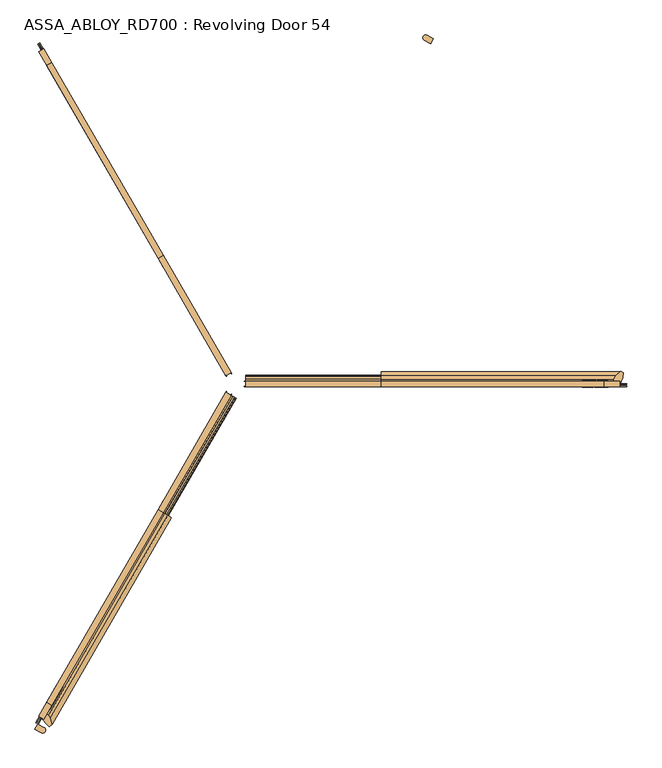
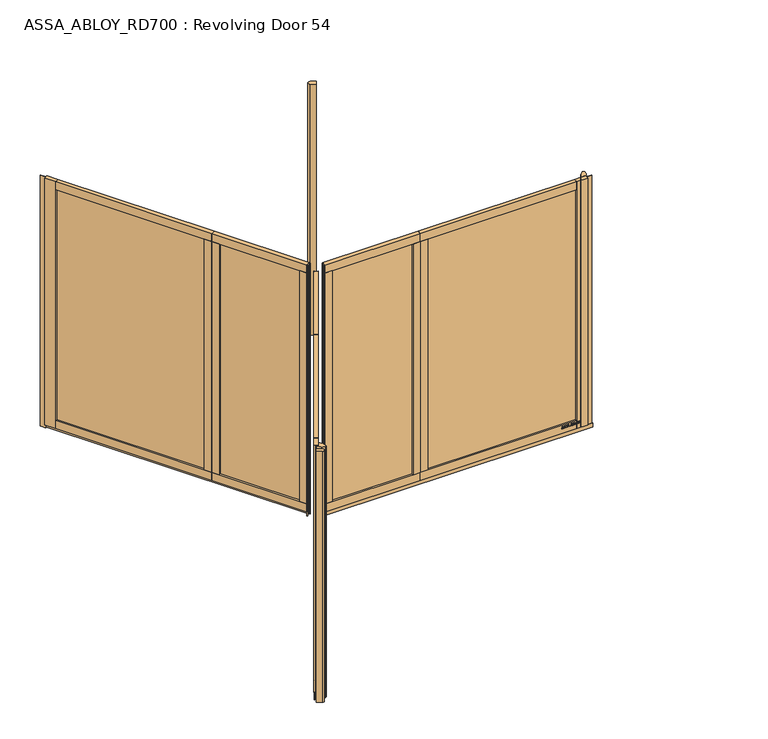
"""IFC4 building model written with IfcOpenShell, lengths in millimetres: door geometry, ASSA_ABLOY_RD700 : Revolving Door 54."""

from ifc_helpers import new_model, si_unit, point, frame, frame_2d, origin, origin_with_axes, origin_2d, place, context, project, spatial, polyline, circle_curve, trimmed, segment, composite_curve, outline, extrude, source, transform, mapped, element, save


def assa_abloy_rd700_revolving_door_54_21e931f8(model_context):
    return source(origin(), model_context, "Body", "SweptSolid", [
        extrude(outline(composite_curve([segment(trimmed(circle_curve(origin_2d(), 2700.0), [point((-1350.0, -2338.2685902))], [point((-1306.4672285, -2362.8676182))], True, "CARTESIAN"), True, "CONTINUOUS"), segment(trimmed(circle_curve(frame_2d((-1316.7850923, -2380.0085105)), 20.0067115), [point((-1306.4672285, -2362.8676182))], [point((-1326.4706086, -2397.5144889))], False, "CARTESIAN"), True, "CONTINUOUS"), segment(trimmed(circle_curve(origin_2d(), 2740.0), [point((-1326.4706086, -2397.5144889))], [point((-1370.0, -2372.9096064))], False, "CARTESIAN"), True, "CONTINUOUS"), segment(polyline([(-1370.0, -2372.9096064), (-1350.0, -2338.2685902)]), True, "CONTINUOUS")], self_intersect=False)), origin_with_axes(), (0.0, 0.0, 1.0), 2600.0),
        extrude(outline(composite_curve([segment(trimmed(circle_curve(origin_2d(), 2700.0), [point((1350.0, 2338.2685902))], [point((1306.4672285, 2362.8676182))], True, "CARTESIAN"), True, "CONTINUOUS"), segment(trimmed(circle_curve(frame_2d((1316.7850923, 2380.0085105)), 20.0067115), [point((1306.4672285, 2362.8676182))], [point((1326.4706086, 2397.5144889))], False, "CARTESIAN"), True, "CONTINUOUS"), segment(trimmed(circle_curve(origin_2d(), 2740.0), [point((1326.4706086, 2397.5144889))], [point((1370.0, 2372.9096064))], False, "CARTESIAN"), True, "CONTINUOUS"), segment(polyline([(1370.0, 2372.9096064), (1350.0, 2338.2685902)]), True, "CONTINUOUS")], self_intersect=False)), origin_with_axes(), (0.0, 0.0, 1.0), 2600.0),
        extrude(outline(polyline([(-470.5155414, -811.4568305), (-50.5155414, -83.9954913), (-47.4844586, -85.7454878), (-467.4844586, -813.206827), (-470.5155414, -811.4568305)])), frame((0.0, 0.0, 124.0), z_axis=(0.0, 0.0, 1.0), x_axis=(1.0, 0.0, 0.0)), (0.0, 0.0, 1.0), 2394.0),
        extrude(outline(polyline([(-1271.5155414, -2198.8295274), (-543.5155414, -937.8965395), (-540.4844586, -939.646536), (-1268.4844586, -2200.5795239), (-1271.5155414, -2198.8295274)])), frame((0.0, 0.0, 124.0), z_axis=(0.0, 0.0, 1.0), x_axis=(1.0, 0.0, 0.0)), (0.0, 0.0, 1.0), 2394.0),
        extrude(outline(polyline([(-1252.6794919, -2209.7045256), (-1287.3205081, -2189.7045256), (-522.8205081, -865.5516832), (-488.1794919, -885.5516832), (-1252.6794919, -2209.7045256)])), frame((0.0, 0.0, 42.0), z_axis=(0.0, 0.0, 1.0), x_axis=(1.0, 0.0, 0.0)), (0.0, 0.0, 1.0), 82.0),
        extrude(outline(polyline([(-522.8205081, -865.5516832), (-488.1794919, -885.5516832), (-1252.6794919, -2209.7045256), (-1287.3205081, -2189.7045256), (-522.8205081, -865.5516832)])), frame((0.0, 0.0, 2518.0), z_axis=(0.0, 0.0, 1.0), x_axis=(1.0, 0.0, 0.0)), (0.0, 0.0, 1.0), 82.0),
        extrude(outline(polyline([(-488.1794919, -885.5516832), (-522.8205081, -865.5516832), (-486.3205081, -802.3318287), (-451.6794919, -822.3318287), (-488.1794919, -885.5516832)])), frame((0.0, 0.0, 124.0), z_axis=(0.0, 0.0, 1.0), x_axis=(1.0, 0.0, 0.0)), (0.0, 0.0, 1.0), 2394.0),
        extrude(outline(polyline([(-524.6794919, -948.7715377), (-559.3205081, -928.7715377), (-522.8205081, -865.5516832), (-488.1794919, -885.5516832), (-524.6794919, -948.7715377)])), frame((0.0, 0.0, 124.0), z_axis=(0.0, 0.0, 1.0), x_axis=(1.0, 0.0, 0.0)), (0.0, 0.0, 1.0), 2394.0),
        extrude(outline(polyline([(-24.2775681, -76.0499815), (-20.7775681, -69.9878037), (-18.1794919, -71.4878037), (-21.6794919, -77.5499815), (-24.2775681, -76.0499815)])), origin_with_axes(), (0.0, 0.0, 1.0), 2600.0),
        extrude(outline(polyline([(-56.6794919, -138.1717598), (-91.3205081, -118.1717598), (-56.3205081, -57.5499815), (-21.6794919, -77.5499815), (-56.6794919, -138.1717598)])), frame((0.0, 0.0, 124.0), z_axis=(0.0, 0.0, 1.0), x_axis=(1.0, 0.0, 0.0)), (0.0, 0.0, 1.0), 2394.0),
        extrude(outline(polyline([(-56.3205081, -57.5499815), (-21.6794919, -77.5499815), (-488.1794919, -885.5516832), (-522.8205081, -865.5516832), (-56.3205081, -57.5499815)])), frame((0.0, 0.0, 2518.0), z_axis=(0.0, 0.0, 1.0), x_axis=(1.0, 0.0, 0.0)), (0.0, 0.0, 1.0), 82.0),
        extrude(outline(polyline([(-1287.3205081, -2189.7045256), (-1252.6794919, -2209.7045256), (-1307.6794919, -2304.96732), (-1342.3205081, -2284.96732), (-1287.3205081, -2189.7045256)])), frame((0.0, 0.0, 42.0), z_axis=(0.0, 0.0, 1.0), x_axis=(1.0, 0.0, 0.0)), (0.0, 0.0, 1.0), 2558.0),
        extrude(outline(polyline([(-1351.5155414, -2337.393592), (-1326.5155414, -2294.0923218), (-1323.4844586, -2295.8423183), (-1348.4844586, -2339.1435885), (-1351.5155414, -2337.393592)])), origin_with_axes(), (0.0, 0.0, 1.0), 2600.0),
        extrude(outline(polyline([(-488.1794919, -885.5516832), (-522.8205081, -865.5516832), (-56.3205081, -57.5499815), (-21.6794919, -77.5499815), (-488.1794919, -885.5516832)])), frame((0.0, 0.0, 42.0), z_axis=(0.0, 0.0, 1.0), x_axis=(1.0, 0.0, 0.0)), (0.0, 0.0, 1.0), 82.0),
        extrude(outline(polyline([(-50.2224319, -52.9878037), (-53.7224319, -59.0499815), (-56.3205081, -57.5499815), (-52.8205081, -51.4878037), (-50.2224319, -52.9878037)])), origin_with_axes(), (0.0, 0.0, 1.0), 2600.0),
        extrude(outline(polyline([(-1364.7224319, -2329.7685902), (-53.7224319, -59.0499815), (-49.5655099, -61.4499815), (-1360.5655099, -2332.1685902), (-1364.7224319, -2329.7685902)])), origin_with_axes(), (0.0, 0.0, 1.0), 42.0),
        extrude(outline(polyline([(-21.1919363, 1e-07), (0.0, 0.0), (1.2354289, -3.3526833), (-14.8894584, -17.1035441), (-15.8652682, -14.4554101), (-11.2716326, -10.6269535), (-14.2348715, -2.5853724), (-20.214336, -2.6529929), (-21.1919363, 1e-07)]), holes=[polyline([(-11.7626281, -2.5849674), (-9.3848751, -9.0376681), (-1.6611384, -2.5160752), (-11.7626281, -2.5849674)])]), frame((-1260.3315201, -2226.9582273, 111.8848654), z_axis=(-0.8660254037844339, 0.5000000000000084, 0.0), x_axis=(-0.17288098849125705, -0.2994386557295809, 0.9383222555567716)), (0.0, 0.0, 1.0), 2.0),
        extrude(outline(polyline([(-3.5121291, 0.0), (0.0, 0.0), (2.8187321, -2.6852579), (4.250422, -5.1162245), (5.5118808, -7.3434952), (7.3063201, -9.1972246), (9.3614355, -9.1814983), (11.0208469, -7.1616301), (10.6514742, -3.4882218), (8.71119, 0.0484617), (6.0403681, 2.6484111), (9.0699595, 3.711135), (11.0920114, 1.0208016), (12.7977466, -2.5981572), (13.1300796, -8.3561656), (9.9996043, -11.7673439), (6.2388815, -11.6844271), (3.0893834, -8.4786223), (1.8238571, -6.2006452), (0.6628891, -4.2207408), (-0.9295188, -2.6144294), (-2.9863484, -2.6252693), (-4.8029446, -4.7524081), (-4.3562346, -8.76362), (-2.4447822, -12.1320668), (0.6567353, -15.0446472), (-2.5145629, -16.1570791), (-4.8247981, -13.2083906), (-6.5093631, -9.6341389), (-7.2092232, -6.1919012), (-6.787432, -3.3659463), (-5.4926863, -1.2764387), (-3.5121291, 0.0)])), frame((-1248.4666248, -2206.4076258, 100.999973), z_axis=(-0.8660254037844338, 0.5000000000000083, 0.0), x_axis=(-0.1655035508100891, -0.2866605588361252, 0.9436282629706535)), (0.0, 0.0, 1.0), 2.0),
        extrude(outline(polyline([(-3.5121291, 0.0), (0.0, 0.0), (2.8187321, -2.6852579), (4.250422, -5.1162245), (5.5118808, -7.3434952), (7.3063201, -9.1972246), (9.3614355, -9.1814983), (11.0208469, -7.1616301), (10.6514742, -3.4882218), (8.71119, 0.0484617), (6.0403681, 2.6484111), (9.0699595, 3.711135), (11.0920114, 1.0208016), (12.7977466, -2.5981572), (13.1300796, -8.3561656), (9.9996043, -11.7673439), (6.2388815, -11.6844271), (3.0893834, -8.4786223), (1.8238571, -6.2006452), (0.6628891, -4.2207408), (-0.9295188, -2.6144294), (-2.9863484, -2.6252693), (-4.8029446, -4.7524081), (-4.3562346, -8.76362), (-2.4447822, -12.1320668), (0.6567353, -15.0446472), (-2.5145629, -16.1570791), (-4.8247981, -13.2083906), (-6.5093631, -9.6341389), (-7.2092232, -6.1919012), (-6.787432, -3.3659463), (-5.4926863, -1.2764387), (-3.5121291, 0.0)])), frame((-1239.0213137, -2190.0478671, 100.999973), z_axis=(-0.8660254037844338, 0.5000000000000083, 0.0), x_axis=(-0.1655035508100891, -0.2866605588361252, 0.9436282629706535)), (0.0, 0.0, 1.0), 2.0),
        extrude(outline(polyline([(-21.1919363, 1e-07), (0.0, 0.0), (1.2354289, -3.3526833), (-14.8894584, -17.103544), (-15.8652682, -14.4554101), (-11.2716326, -10.6269535), (-14.2348715, -2.5853723), (-20.214336, -2.6529928), (-21.1919363, 1e-07)]), holes=[polyline([(-11.7626281, -2.5849674), (-9.3848751, -9.0376681), (-1.6611384, -2.5160752), (-11.7626281, -2.5849674)])]), frame((-1231.9955869, -2177.8789512, 111.8848654), z_axis=(-0.8660254037844339, 0.5000000000000084, 0.0), x_axis=(-0.17288098849125705, -0.2994386557295809, 0.9383222555567716)), (0.0, 0.0, 1.0), 2.0),
        extrude(outline(polyline([(-21.1919363, 1e-07), (0.0, 0.0), (1.2354289, -3.3526833), (-14.8894584, -17.1035441), (-15.8652682, -14.4554101), (-11.2716326, -10.6269535), (-14.2348715, -2.5853724), (-20.214336, -2.6529929), (-21.1919363, 1e-07)]), holes=[polyline([(-11.7626281, -2.5849674), (-9.3848751, -9.0376681), (-1.6611384, -2.5160752), (-11.7626281, -2.5849674)])]), frame((-1217.7447666, -2153.1958065, 111.8848654), z_axis=(-0.8660254037844339, 0.5000000000000084, 0.0), x_axis=(-0.17288098849125705, -0.2994386557295809, 0.9383222555567716)), (0.0, 0.0, 1.0), 2.0),
        extrude(outline(polyline([(-3.6247797, -1e-07), (0.0, 0.0), (2.8147562, -2.4211002), (3.7068839, -0.0321766), (5.7320771, 1.441087), (7.9241126, 1.6554025), (9.8352432, 0.5920774), (11.1479956, -1.1951535), (12.3716711, -4.2930708), (14.3144162, -9.9880647), (-4.5055294, -16.4081518), (-6.8194358, -9.6251298), (-7.5842828, -6.2202288), (-7.204982, -3.4426963), (-5.9232413, -1.3859292), (-3.6247797, -1e-07)]), holes=[polyline([(5.2214253, -2.9241787), (4.7734732, -6.6552624), (5.9304264, -10.0467735), (11.2627443, -8.2277488), (10.1960736, -5.1008933), (9.3653605, -2.9303688), (5.2214253, -2.9241787)]), polyline([(-2.8765907, -2.5461078), (-4.3679308, -3.4351117), (-5.1102534, -4.8838351), (-5.1175974, -6.8751818), (-4.3362091, -9.7190964), (-3.1658807, -13.1498156), (3.734766, -10.7957837), (2.347091, -6.7279308), (1.5099769, -4.5787397), (0.5832315, -3.1932876), (-0.9746905, -2.291247), (-2.8765907, -2.5461078)])]), frame((-1205.5523407, -2132.0779052, 101.561824), z_axis=(-0.8660254037844338, 0.5000000000000084, 0.0), x_axis=(-0.16143149534182394, -0.27960755187385133, 0.9464457138403736)), (0.0, 0.0, 1.0), 2.0),
        extrude(outline(polyline([(-2.319901, 0.0), (0.0, 0.0), (0.0, -9.9424327), (17.5649644, -9.9424327), (17.5649644, -12.593748), (-2.319901, -12.593748), (-2.319901, 0.0)])), frame((-1196.8475337, -2117.0007373, 94.319901), z_axis=(-0.8660254037844338, 0.5000000000000084, 0.0), x_axis=(0.0, 0.0, 1.0)), (0.0, 0.0, 1.0), 2.0),
        extrude(outline(polyline([(-3.4755122, 0.0), (0.0, 0.0), (3.5095376, -1.5864763), (6.1998493, -4.2905332), (7.4345587, -7.5668217), (7.0812776, -11.3109182), (5.1361655, -15.2239686), (2.1257687, -18.4422905), (-1.2097864, -20.048671), (-4.7147757, -20.0502836), (-8.2007387, -18.4707048), (-10.9175762, -15.7640054), (-12.1283676, -12.475947), (-11.7934802, -8.7947164), (-9.8417791, -4.8358203), (-6.8343334, -1.6217536), (-3.4755122, 0.0)]), holes=[polyline([(-7.6631689, -6.3468237), (-9.5892893, -12.1951337), (-6.8871209, -16.5585186), (-1.8513939, -17.5618518), (2.9575554, -13.7129652), (4.8960978, -7.8921765), (2.1788995, -3.4868579), (-2.8864763, -2.494471), (-7.6631689, -6.3468237)])]), frame((-1189.5706568, -2104.3968168, 111.5197917), z_axis=(-0.8660254037844338, 0.5000000000000084, 0.0), x_axis=(-0.41085457557087207, -0.7116209994108814, 0.5699070721880338)), (0.0, 0.0, 1.0), 2.0),
        extrude(outline(polyline([(-3.1691504, 0.0), (0.0, 0.0), (5.4320895, -8.8964059), (10.921141, 0.0), (14.0643996, 0.0), (6.7732822, -11.4441543), (6.7732822, -19.8848654), (4.1219669, -19.8848654), (4.1219669, -11.1645234), (-3.1691504, 0.0)])), frame((-1179.0443651, -2086.1647447, 111.8848654), z_axis=(-0.8660254037844338, 0.5000000000000084, 0.0), x_axis=(-0.5000000000000084, -0.8660254037844338, 0.0)), (0.0, 0.0, 1.0), 2.0),
        extrude(outline(polyline([(21.1919362, 0.0), (20.214336, -2.6529929), (14.2348715, -2.5853723), (11.2716326, -10.6269535), (15.8652682, -14.4554101), (14.8894584, -17.1035441), (-1.2354289, -3.3526833), (0.0, 0.0), (21.1919362, 0.0)]), holes=[polyline([(11.7626281, -2.5849674), (1.6611384, -2.5160752), (9.3848751, -9.0376682), (11.7626281, -2.5849674)])]), frame((-1219.614485, -2072.4342537, 111.8848654), z_axis=(-0.866025403784437, 0.5000000000000029, 0.0), x_axis=(-0.17288098849125513, -0.299438655729582, -0.9383222555567716)), (0.0, 0.0, 1.0), 2.0),
        extrude(outline(polyline([(3.5121291, 0.0), (5.4926863, -1.2764387), (6.787432, -3.3659463), (7.2092232, -6.1919011), (6.5093631, -9.6341389), (4.8247981, -13.2083906), (2.5145629, -16.157079), (-0.6567352, -15.0446471), (2.4447823, -12.1320668), (4.3562345, -8.7636201), (4.8029446, -4.7524081), (2.9863484, -2.6252692), (0.9295188, -2.6144293), (-0.6628891, -4.2207408), (-1.8238571, -6.2006452), (-3.0893834, -8.4786223), (-6.2388816, -11.6844271), (-9.9996043, -11.7673438), (-13.1300796, -8.3561656), (-12.7977466, -2.5981571), (-11.0920114, 1.0208017), (-9.0699595, 3.711135), (-6.0403681, 2.6484111), (-8.71119, 0.0484616), (-10.6514742, -3.4882218), (-11.0208469, -7.16163), (-9.3614355, -9.1814982), (-7.3063201, -9.1972245), (-5.5118807, -7.3434952), (-4.250422, -5.1162244), (-2.8187321, -2.6852579), (0.0, 0.0), (3.5121291, 0.0)])), frame((-1231.4793803, -2092.9848552, 100.999973), z_axis=(-0.8660254037844372, 0.5000000000000029, 0.0), x_axis=(-0.16550355081008727, -0.28666055883612623, -0.9436282629706535)), (0.0, 0.0, 1.0), 2.0),
        extrude(outline(polyline([(3.5121291, 0.0), (5.4926863, -1.2764387), (6.787432, -3.3659463), (7.2092232, -6.1919011), (6.5093631, -9.6341389), (4.8247981, -13.2083906), (2.5145629, -16.157079), (-0.6567352, -15.0446471), (2.4447823, -12.1320668), (4.3562345, -8.7636201), (4.8029446, -4.7524081), (2.9863484, -2.6252693), (0.9295188, -2.6144293), (-0.6628891, -4.2207409), (-1.8238571, -6.2006453), (-3.0893834, -8.4786223), (-6.2388816, -11.6844271), (-9.9996043, -11.7673438), (-13.1300796, -8.3561656), (-12.7977466, -2.5981571), (-11.0920114, 1.0208017), (-9.0699595, 3.711135), (-6.0403681, 2.6484111), (-8.71119, 0.0484616), (-10.6514742, -3.4882218), (-11.0208469, -7.16163), (-9.3614355, -9.1814982), (-7.3063201, -9.1972245), (-5.5118807, -7.3434952), (-4.250422, -5.1162244), (-2.8187321, -2.6852579), (0.0, 0.0), (3.5121291, 0.0)])), frame((-1240.9246914, -2109.3446139, 100.999973), z_axis=(-0.8660254037844372, 0.5000000000000029, 0.0), x_axis=(-0.16550355081008727, -0.28666055883612623, -0.9436282629706535)), (0.0, 0.0, 1.0), 2.0),
        extrude(outline(polyline([(21.1919362, 0.0), (20.214336, -2.6529929), (14.2348715, -2.5853724), (11.2716326, -10.6269535), (15.8652682, -14.4554101), (14.8894584, -17.1035442), (-1.2354289, -3.3526834), (0.0, 0.0), (21.1919362, 0.0)]), holes=[polyline([(11.7626281, -2.5849675), (1.6611384, -2.5160752), (9.3848751, -9.0376682), (11.7626281, -2.5849675)])]), frame((-1247.9504183, -2121.5135298, 111.8848654), z_axis=(-0.866025403784437, 0.5000000000000029, 0.0), x_axis=(-0.17288098849125513, -0.299438655729582, -0.9383222555567716)), (0.0, 0.0, 1.0), 2.0),
        extrude(outline(polyline([(21.1919362, 0.0), (20.214336, -2.6529929), (14.2348715, -2.5853723), (11.2716326, -10.6269535), (15.8652682, -14.4554101), (14.8894584, -17.1035441), (-1.2354289, -3.3526833), (0.0, 0.0), (21.1919362, 0.0)]), holes=[polyline([(11.7626281, -2.5849674), (1.6611384, -2.5160752), (9.3848751, -9.0376682), (11.7626281, -2.5849674)])]), frame((-1262.2012385, -2146.1966745, 111.8848654), z_axis=(-0.866025403784437, 0.5000000000000029, 0.0), x_axis=(-0.17288098849125513, -0.299438655729582, -0.9383222555567716)), (0.0, 0.0, 1.0), 2.0),
        extrude(outline(polyline([(3.6247797, 0.0), (5.9232413, -1.3859292), (7.2049821, -3.4426962), (7.5842828, -6.2202288), (6.8194358, -9.6251297), (4.5055294, -16.4081519), (-14.3144162, -9.9880648), (-12.3716711, -4.2930708), (-11.1479955, -1.1951534), (-9.8352433, 0.5920774), (-7.9241126, 1.6554025), (-5.7320771, 1.441087), (-3.7068838, -0.0321766), (-2.8147562, -2.4211002), (0.0, 0.0), (3.6247797, 0.0)]), holes=[polyline([(-5.2214253, -2.9241786), (-9.3653605, -2.9303687), (-10.1960736, -5.1008933), (-11.2627443, -8.2277488), (-5.9304264, -10.0467735), (-4.7734732, -6.6552624), (-5.2214253, -2.9241786)]), polyline([(2.8765907, -2.5461078), (0.9746905, -2.291247), (-0.5832315, -3.1932875), (-1.5099769, -4.5787396), (-2.3470909, -6.7279308), (-3.734766, -10.7957837), (3.1658807, -13.1498156), (4.3362091, -9.7190963), (5.1175975, -6.8751817), (5.1102534, -4.8838351), (4.3679308, -3.4351117), (2.8765907, -2.5461078)])]), frame((-1274.3936645, -2167.3145757, 101.561824), z_axis=(-0.8660254037844369, 0.5000000000000028, 0.0), x_axis=(-0.16143149534182213, -0.2796075518738524, -0.9464457138403736)), (0.0, 0.0, 1.0), 2.0),
        extrude(outline(polyline([(2.319901, 0.0), (2.319901, -12.5937481), (-17.5649644, -12.5937481), (-17.5649644, -9.9424327), (0.0, -9.9424327), (0.0, 0.0), (2.319901, 0.0)])), frame((-1283.0984715, -2182.3917437, 94.319901), z_axis=(-0.866025403784437, 0.5000000000000029, 0.0), x_axis=(0.0, 0.0, -1.0)), (0.0, 0.0, 1.0), 2.0),
        extrude(outline(polyline([(3.4755123, 0.0), (6.8343334, -1.6217536), (9.841779, -4.8358203), (11.7934802, -8.7947164), (12.1283676, -12.475947), (10.9175762, -15.7640054), (8.2007386, -18.4707048), (4.7147757, -20.0502836), (1.2097864, -20.048671), (-2.1257686, -18.4422905), (-5.1361655, -15.2239686), (-7.0812776, -11.3109182), (-7.4345588, -7.5668217), (-6.1998493, -4.2905332), (-3.5095377, -1.5864764), (0.0, 0.0), (3.4755123, 0.0)]), holes=[polyline([(7.663169, -6.3468237), (2.8864762, -2.494471), (-2.1788995, -3.4868579), (-4.8960978, -7.8921765), (-2.9575555, -13.7129653), (1.8513939, -17.5618518), (6.8871209, -16.5585186), (9.5892894, -12.1951337), (7.663169, -6.3468237)])]), frame((-1290.3753483, -2194.9956642, 111.5197917), z_axis=(-0.866025403784437, 0.5000000000000028, 0.0), x_axis=(-0.4108545755708663, -0.7116209994108821, -0.5699070721880372)), (0.0, 0.0, 1.0), 2.0),
        extrude(outline(polyline([(3.1691504, 0.0), (-4.121967, -11.1645234), (-4.121967, -19.8848654), (-6.7732824, -19.8848654), (-6.7732824, -11.4441543), (-14.0643996, 0.0), (-10.921141, 0.0), (-5.4320896, -8.8964059), (0.0, 0.0), (3.1691504, 0.0)])), frame((-1300.9016401, -2213.2277363, 111.8848654), z_axis=(-0.866025403784437, 0.5000000000000029, 0.0), x_axis=(-0.5000000000000029, -0.866025403784437, 0.0)), (0.0, 0.0, 1.0), 2.0),
        extrude(outline(polyline([(26.6515221, 0.0), (-24.0034278, -19.9844491), (-57.4313185, -25.5557642), (-65.7800894, -7.1605958), (-35.4734857, 27.0878672), (-13.9731119, 39.4978266), (0.0, 39.5498894), (0.0, 0.0), (26.6515221, 0.0)])), frame((-1307.6794919, -2304.96732, 42.0), z_axis=(0.5000000000000028, 0.8660254037844372, 0.0), x_axis=(-0.8660254037844372, 0.5000000000000028, 0.0)), (0.0, 0.0, 1.0), 1639.0),
        extrude(outline(polyline([(33.1204549, 0.0), (-29.2477893, -28.4956234), (-41.1595702, -16.5838424), (-37.5120241, 2.8258245), (-28.8456009, 22.8930528), (-13.0431775, 37.4022447), (0.0, 37.4557851), (0.0, 0.0), (33.1204549, 0.0)])), frame((-488.1794919, -885.5516832, 42.0), z_axis=(0.5000000000000028, 0.8660254037844372, 0.0), x_axis=(-0.8660254037844372, 0.5000000000000028, 0.0)), (0.0, 0.0, 1.0), 933.0),
        extrude(outline(polyline([(-1330.7603871, -2291.641559), (-1307.6794919, -2304.96732), (-1287.9045472, -2270.7161111), (-1275.8295087, -2277.7477547), (-1263.4146184, -2299.2452818), (-1254.2925614, -2344.0586226), (-1270.7203932, -2355.8149203), (-1296.8841382, -2334.2760745), (-1330.7603871, -2291.641559)])), origin_with_axes(), (0.0, 0.0, 1.0), 2600.0),
        extrude(outline(polyline([(938.0, -1.7499965), (98.0, -1.7499965), (98.0, 1.7499965), (938.0, 1.7499965), (938.0, -1.7499965)])), frame((0.0, 0.0, 124.0), z_axis=(0.0, 0.0, 1.0), x_axis=(1.0, 0.0, 0.0)), (0.0, 0.0, 1.0), 2394.0),
        extrude(outline(polyline([(2540.0, -1.7499965), (1084.0, -1.7499965), (1084.0, 1.7499965), (2540.0, 1.7499965), (2540.0, -1.7499965)])), frame((0.0, 0.0, 124.0), z_axis=(0.0, 0.0, 1.0), x_axis=(1.0, 0.0, 0.0)), (0.0, 0.0, 1.0), 2394.0),
        extrude(outline(polyline([(2540.0, 20.0), (2540.0, -20.0), (1011.0, -20.0), (1011.0, 20.0), (2540.0, 20.0)])), frame((0.0, 0.0, 42.0), z_axis=(0.0, 0.0, 1.0), x_axis=(1.0, 0.0, 0.0)), (0.0, 0.0, 1.0), 82.0),
        extrude(outline(polyline([(1011.0, -20.0), (1011.0, 20.0), (2540.0, 20.0), (2540.0, -20.0), (1011.0, -20.0)])), frame((0.0, 0.0, 2518.0), z_axis=(0.0, 0.0, 1.0), x_axis=(1.0, 0.0, 0.0)), (0.0, 0.0, 1.0), 82.0),
        extrude(outline(polyline([(1011.0, 20.0), (1011.0, -20.0), (938.0, -20.0), (938.0, 20.0), (1011.0, 20.0)])), frame((0.0, 0.0, 124.0), z_axis=(0.0, 0.0, 1.0), x_axis=(1.0, 0.0, 0.0)), (0.0, 0.0, 1.0), 2394.0),
        extrude(outline(polyline([(1084.0, 20.0), (1084.0, -20.0), (1011.0, -20.0), (1011.0, 20.0), (1084.0, 20.0)])), frame((0.0, 0.0, 124.0), z_axis=(0.0, 0.0, 1.0), x_axis=(1.0, 0.0, 0.0)), (0.0, 0.0, 1.0), 2394.0),
        extrude(outline(polyline([(78.0, 17.0), (71.0, 17.0), (71.0, 20.0), (78.0, 20.0), (78.0, 17.0)])), origin_with_axes(), (0.0, 0.0, 1.0), 2600.0),
        extrude(outline(polyline([(148.0, 20.0), (148.0, -20.0), (78.0, -20.0), (78.0, 20.0), (148.0, 20.0)])), frame((0.0, 0.0, 124.0), z_axis=(0.0, 0.0, 1.0), x_axis=(1.0, 0.0, 0.0)), (0.0, 0.0, 1.0), 2394.0),
        extrude(outline(polyline([(78.0, -20.0), (78.0, 20.0), (1011.0, 20.0), (1011.0, -20.0), (78.0, -20.0)])), frame((0.0, 0.0, 2518.0), z_axis=(0.0, 0.0, 1.0), x_axis=(1.0, 0.0, 0.0)), (0.0, 0.0, 1.0), 82.0),
        extrude(outline(polyline([(2540.0, -20.0), (2540.0, 20.0), (2650.0, 20.0), (2650.0, -20.0), (2540.0, -20.0)])), frame((0.0, 0.0, 42.0), z_axis=(0.0, 0.0, 1.0), x_axis=(1.0, 0.0, 0.0)), (0.0, 0.0, 1.0), 2558.0),
        extrude(outline(polyline([(2700.0, -1.7499965), (2650.0, -1.7499965), (2650.0, 1.7499965), (2700.0, 1.7499965), (2700.0, -1.7499965)])), origin_with_axes(), (0.0, 0.0, 1.0), 2600.0),
        extrude(outline(polyline([(1011.0, 20.0), (1011.0, -20.0), (78.0, -20.0), (78.0, 20.0), (1011.0, 20.0)])), frame((0.0, 0.0, 42.0), z_axis=(0.0, 0.0, 1.0), x_axis=(1.0, 0.0, 0.0)), (0.0, 0.0, 1.0), 82.0),
        extrude(outline(polyline([(71.0, -17.0), (78.0, -17.0), (78.0, -20.0), (71.0, -20.0), (71.0, -17.0)])), origin_with_axes(), (0.0, 0.0, 1.0), 2600.0),
        extrude(outline(polyline([(2700.0, -17.0), (78.0, -17.0), (78.0, -12.2), (2700.0, -12.2), (2700.0, -17.0)])), origin_with_axes(), (0.0, 0.0, 1.0), 42.0),
        extrude(outline(polyline([(92.0, 2551.4407922), (92.0, 2554.2681716), (97.6340452, 2556.2721931), (97.6340452, 2564.842363), (92.0, 2566.8463846), (92.0, 2569.6685856), (111.8848654, 2562.3412198), (111.8848654, 2558.768158), (92.0, 2551.4407922)]), holes=[polyline([(99.9539462, 2557.126621), (109.4562191, 2560.5546889), (99.9539462, 2564.0034703), (99.9539462, 2557.126621)])]), frame((0.0, 20.0, 0.0), z_axis=(0.0, 1.0, 0.0), x_axis=(0.0, 0.0, 1.0)), (0.0, 0.0, 1.0), 2.0),
        extrude(outline(polyline([(97.6858287, 2533.8758278), (95.3944087, 2534.4247329), (93.4810082, 2535.9678813), (92.147583, 2538.4949163), (91.6685856, 2541.9747678), (92.0750861, 2545.9051357), (93.2790525, 2549.4523057), (96.6398019, 2549.4523057), (94.6772071, 2545.6772883), (93.9884865, 2541.8660224), (94.8946979, 2537.9330653), (97.3129875, 2536.5271432), (99.2574581, 2537.1977395), (100.2283987, 2539.2405988), (100.6685585, 2541.4931812), (101.1087183, 2544.061643), (103.0195296, 2548.1292372), (106.5408079, 2549.4523057), (110.6239371, 2547.269631), (112.2162799, 2541.7262069), (111.804601, 2537.7466447), (110.7870552, 2534.5386566), (107.5764779, 2534.5386566), (109.2361392, 2537.8761034), (109.8963789, 2541.8556657), (109.0290052, 2545.4442625), (106.794547, 2546.8009903), (104.8500765, 2546.1355723), (103.7703904, 2543.7923687), (103.3172847, 2541.2731013), (102.7709688, 2538.505273), (100.999973, 2535.0383674), (97.6858287, 2533.8758278)])), frame((0.0, 20.0, 0.0), z_axis=(0.0, 1.0, 0.0), x_axis=(0.0, 0.0, 1.0)), (0.0, 0.0, 1.0), 2.0),
        extrude(outline(polyline([(97.6858287, 2514.9852056), (95.3944087, 2515.5341107), (93.4810082, 2517.0772591), (92.147583, 2519.6042941), (91.6685856, 2523.0841456), (92.0750861, 2527.0145135), (93.2790525, 2530.5616835), (96.6398019, 2530.5616835), (94.6772071, 2526.7866661), (93.9884865, 2522.9754002), (94.8946979, 2519.0424431), (97.3129875, 2517.636521), (99.2574581, 2518.3071174), (100.2283987, 2520.3499766), (100.6685585, 2522.602559), (101.1087183, 2525.1710208), (103.0195296, 2529.238615), (106.5408079, 2530.5616835), (110.6239371, 2528.3790088), (112.2162799, 2522.8355848), (111.804601, 2518.8560225), (110.7870552, 2515.6480344), (107.5764779, 2515.6480344), (109.2361392, 2518.9854813), (109.8963789, 2522.9650435), (109.0290052, 2526.5536403), (106.794547, 2527.9103681), (104.8500765, 2527.2449501), (103.7703904, 2524.9017466), (103.3172847, 2522.3824791), (102.7709688, 2519.6146508), (100.999973, 2516.1477453), (97.6858287, 2514.9852056)])), frame((0.0, 20.0, 0.0), z_axis=(0.0, 1.0, 0.0), x_axis=(0.0, 0.0, 1.0)), (0.0, 0.0, 1.0), 2.0),
        extrude(outline(polyline([(92.0, 2494.7689257), (92.0, 2497.596305), (97.6340452, 2499.6003266), (97.6340452, 2508.1704965), (92.0, 2510.1745181), (92.0, 2512.996719), (111.8848654, 2505.6693533), (111.8848654, 2502.0962915), (92.0, 2494.7689257)]), holes=[polyline([(99.9539462, 2500.4547544), (109.4562191, 2503.8828224), (99.9539462, 2507.3316037), (99.9539462, 2500.4547544)])]), frame((0.0, 20.0, 0.0), z_axis=(0.0, 1.0, 0.0), x_axis=(0.0, 0.0, 1.0)), (0.0, 0.0, 1.0), 2.0),
        extrude(outline(polyline([(92.0, 2466.2672852), (92.0, 2469.0946645), (97.6340452, 2471.0986861), (97.6340452, 2479.668856), (92.0, 2481.6728776), (92.0, 2484.4950786), (111.8848654, 2477.1677128), (111.8848654, 2473.594651), (92.0, 2466.2672852)]), holes=[polyline([(99.9539462, 2471.953114), (109.4562191, 2475.3811819), (99.9539462, 2478.8299633), (99.9539462, 2471.953114)])]), frame((0.0, 20.0, 0.0), z_axis=(0.0, 1.0, 0.0), x_axis=(0.0, 0.0, 1.0)), (0.0, 0.0, 1.0), 2.0),
        extrude(outline(polyline([(98.1311668, 2448.0394919), (95.5083324, 2448.6091105), (93.6311804, 2450.1419022), (92.3754304, 2452.6482237), (92.0, 2456.1177185), (92.0, 2463.2845554), (111.8848654, 2463.2845554), (111.8848654, 2457.2673123), (111.7269258, 2453.9402222), (111.0615077, 2451.824866), (109.5960346, 2450.2014532), (107.4521975, 2449.696564), (105.0597997, 2450.4370681), (103.4441543, 2452.4100196), (101.561824, 2449.2097991), (98.1311668, 2448.0394919)]), holes=[polyline([(105.5595105, 2453.6631804), (109.4795217, 2455.0069623), (109.5649645, 2457.3294525), (109.5649645, 2460.63324), (103.9309193, 2460.63324), (103.9309193, 2457.0498216), (105.5595105, 2453.6631804)]), polyline([(98.0172431, 2450.6908073), (99.8995735, 2451.0636485), (101.0828266, 2452.4203763), (101.5126296, 2454.0308433), (101.6110183, 2456.3352092), (101.6110183, 2460.63324), (94.319901, 2460.63324), (94.319901, 2457.0083948), (94.4985541, 2454.0645026), (95.148437, 2452.1821722), (96.3187442, 2451.0507027), (98.0172431, 2450.6908073)])]), frame((0.0, 20.0, 0.0), z_axis=(0.0, 1.0, 0.0), x_axis=(0.0, 0.0, 1.0)), (0.0, 0.0, 1.0), 2.0),
        extrude(outline(polyline([(92.0, 2431.8001851), (92.0, 2444.3939332), (111.8848654, 2444.3939332), (111.8848654, 2441.7426179), (94.319901, 2441.7426179), (94.319901, 2431.8001851), (92.0, 2431.8001851)])), frame((0.0, 20.0, 0.0), z_axis=(0.0, 1.0, 0.0), x_axis=(0.0, 0.0, 1.0)), (0.0, 0.0, 1.0), 2.0),
        extrude(outline(polyline([(109.5390727, 2414.3905712), (106.292247, 2412.554846), (101.9372544, 2411.9153197), (97.571905, 2412.5677918), (94.3561494, 2414.3905712), (92.3443603, 2417.2593773), (91.6685856, 2421.0343947), (92.3573062, 2424.7990554), (94.3561494, 2427.6782182), (97.5770834, 2429.5035867), (101.9372544, 2430.143113), (106.2611769, 2429.5113543), (109.5390727, 2427.6678615), (111.5275593, 2424.7861095), (112.2162799, 2421.0343947), (111.5197917, 2417.2464314), (109.5390727, 2414.3905712)]), holes=[polyline([(101.9372544, 2414.5666351), (107.8250388, 2416.2962041), (109.8963789, 2421.024038), (107.8250388, 2425.7674069), (101.9372544, 2427.4917976), (96.0339349, 2425.7337477), (93.9884865, 2421.024038), (96.0339349, 2416.3169175), (101.9372544, 2414.5666351)])]), frame((0.0, 20.0, 0.0), z_axis=(0.0, 1.0, 0.0), x_axis=(0.0, 0.0, 1.0)), (0.0, 0.0, 1.0), 2.0),
        extrude(outline(polyline([(111.8848654, 2393.0246975), (100.720342, 2400.3158148), (92.0, 2400.3158148), (92.0, 2402.9671302), (100.4407111, 2402.9671302), (111.8848654, 2410.2582476), (111.8848654, 2407.1149889), (102.9884595, 2401.6259375), (111.8848654, 2396.1938479), (111.8848654, 2393.0246975)])), frame((0.0, 20.0, 0.0), z_axis=(0.0, 1.0, 0.0), x_axis=(0.0, 0.0, 1.0)), (0.0, 0.0, 1.0), 2.0),
        extrude(outline(polyline([(92.0, 2411.9153197), (111.8848654, 2404.5879539), (111.8848654, 2401.0148921), (92.0, 2393.6875264), (92.0, 2396.5097273), (97.6340452, 2398.5137489), (97.6340452, 2407.0839188), (92.0, 2409.0879404), (92.0, 2411.9153197)]), holes=[polyline([(99.9539462, 2406.229491), (99.9539462, 2399.3526417), (109.4562191, 2402.801423), (99.9539462, 2406.229491)])]), frame((0.0, -22.0, 0.0), z_axis=(0.0, 1.0, 0.0), x_axis=(0.0, 0.0, 1.0)), (0.0, 0.0, 1.0), 2.0),
        extrude(outline(polyline([(97.6858287, 2429.4802842), (100.999973, 2428.3177445), (102.7709688, 2424.8508389), (103.3172847, 2422.0830106), (103.7703904, 2419.5637432), (104.8500765, 2417.2205396), (106.794547, 2416.5551216), (109.0290052, 2417.9118494), (109.8963789, 2421.5004462), (109.2361392, 2425.4800085), (107.5764779, 2428.8174553), (110.7870552, 2428.8174553), (111.804601, 2425.6094673), (112.2162799, 2421.629905), (110.6239371, 2416.0864809), (106.5408079, 2413.9038062), (103.0195296, 2415.2268747), (101.1087183, 2419.294469), (100.6685585, 2421.8629308), (100.2283987, 2424.1155132), (99.2574581, 2426.1583724), (97.3129875, 2426.8289688), (94.8946979, 2425.4230466), (93.9884865, 2421.4900895), (94.6772071, 2417.6788237), (96.6398019, 2413.9038062), (93.2790525, 2413.9038062), (92.0750861, 2417.4509762), (91.6685856, 2421.3813442), (92.147583, 2424.8611956), (93.4810082, 2427.3882306), (95.3944087, 2428.931379), (97.6858287, 2429.4802842)])), frame((0.0, -22.0, 0.0), z_axis=(0.0, 1.0, 0.0), x_axis=(0.0, 0.0, 1.0)), (0.0, 0.0, 1.0), 2.0),
        extrude(outline(polyline([(97.6858287, 2448.3709063), (100.999973, 2447.2083667), (102.7709688, 2443.7414611), (103.3172847, 2440.9736328), (103.7703904, 2438.4543654), (104.8500765, 2436.1111618), (106.794547, 2435.4457438), (109.0290052, 2436.8024716), (109.8963789, 2440.3910684), (109.2361392, 2444.3706307), (107.5764779, 2447.7080775), (110.7870552, 2447.7080775), (111.804601, 2444.5000894), (112.2162799, 2440.5205272), (110.6239371, 2434.9771031), (106.5408079, 2432.7944284), (103.0195296, 2434.1174969), (101.1087183, 2438.1850911), (100.6685585, 2440.7535529), (100.2283987, 2443.0061353), (99.2574581, 2445.0489946), (97.3129875, 2445.7195909), (94.8946979, 2444.3136688), (93.9884865, 2440.3807117), (94.6772071, 2436.5694458), (96.6398019, 2432.7944284), (93.2790525, 2432.7944284), (92.0750861, 2436.3415984), (91.6685856, 2440.2719663), (92.147583, 2443.7518178), (93.4810082, 2446.2788528), (95.3944087, 2447.8220012), (97.6858287, 2448.3709063)])), frame((0.0, -22.0, 0.0), z_axis=(0.0, 1.0, 0.0), x_axis=(0.0, 0.0, 1.0)), (0.0, 0.0, 1.0), 2.0),
        extrude(outline(polyline([(92.0, 2468.5871862), (111.8848654, 2461.2598204), (111.8848654, 2457.6867587), (92.0, 2450.3593929), (92.0, 2453.1815938), (97.6340452, 2455.1856154), (97.6340452, 2463.7557853), (92.0, 2465.7598069), (92.0, 2468.5871862)]), holes=[polyline([(99.9539462, 2462.9013575), (99.9539462, 2456.0245082), (109.4562191, 2459.4732895), (99.9539462, 2462.9013575)])]), frame((0.0, -22.0, 0.0), z_axis=(0.0, 1.0, 0.0), x_axis=(0.0, 0.0, 1.0)), (0.0, 0.0, 1.0), 2.0),
        extrude(outline(polyline([(92.0, 2497.0888267), (111.8848654, 2489.7614609), (111.8848654, 2486.1883991), (92.0, 2478.8610334), (92.0, 2481.6832343), (97.6340452, 2483.6872559), (97.6340452, 2492.2574258), (92.0, 2494.2614474), (92.0, 2497.0888267)]), holes=[polyline([(99.9539462, 2491.402998), (99.9539462, 2484.5261487), (109.4562191, 2487.97493), (99.9539462, 2491.402998)])]), frame((0.0, -22.0, 0.0), z_axis=(0.0, 1.0, 0.0), x_axis=(0.0, 0.0, 1.0)), (0.0, 0.0, 1.0), 2.0),
        extrude(outline(polyline([(98.1311668, 2515.31662), (101.561824, 2514.1463128), (103.4441543, 2510.9460923), (105.0597997, 2512.9190438), (107.4521975, 2513.6595479), (109.5960346, 2513.1546587), (111.0615077, 2511.5312459), (111.7269258, 2509.4158898), (111.8848654, 2506.0887996), (111.8848654, 2500.0715565), (92.0, 2500.0715565), (92.0, 2507.2383934), (92.3754304, 2510.7078882), (93.6311804, 2513.2142098), (95.5083324, 2514.7470015), (98.1311668, 2515.31662)]), holes=[polyline([(105.5595105, 2509.6929315), (103.9309193, 2506.3062904), (103.9309193, 2502.7228719), (109.5649645, 2502.7228719), (109.5649645, 2506.0266594), (109.4795217, 2508.3491496), (105.5595105, 2509.6929315)]), polyline([(98.0172431, 2512.6653046), (96.3187442, 2512.3054093), (95.148437, 2511.1739397), (94.4985541, 2509.2916094), (94.319901, 2506.3477172), (94.319901, 2502.7228719), (101.6110183, 2502.7228719), (101.6110183, 2507.0209027), (101.5126296, 2509.3252686), (101.0828266, 2510.9357356), (99.8995735, 2512.2924634), (98.0172431, 2512.6653046)])]), frame((0.0, -22.0, 0.0), z_axis=(0.0, 1.0, 0.0), x_axis=(0.0, 0.0, 1.0)), (0.0, 0.0, 1.0), 2.0),
        extrude(outline(polyline([(92.0, 2531.5559268), (94.319901, 2531.5559268), (94.319901, 2521.6134941), (111.8848654, 2521.6134941), (111.8848654, 2518.9621787), (92.0, 2518.9621787), (92.0, 2531.5559268)])), frame((0.0, -22.0, 0.0), z_axis=(0.0, 1.0, 0.0), x_axis=(0.0, 0.0, 1.0)), (0.0, 0.0, 1.0), 2.0),
        extrude(outline(polyline([(109.5390727, 2548.9655408), (111.5197917, 2546.1096805), (112.2162799, 2542.3217172), (111.5275593, 2538.5700024), (109.5390727, 2535.6882504), (106.2611769, 2533.8447577), (101.9372544, 2533.2129989), (97.5770834, 2533.8525252), (94.3561494, 2535.6778937), (92.3573062, 2538.5570565), (91.6685856, 2542.3217172), (92.3443603, 2546.0967347), (94.3561494, 2548.9655408), (97.571905, 2550.7883201), (101.9372544, 2551.4407922), (106.292247, 2550.801266), (109.5390727, 2548.9655408)]), holes=[polyline([(101.9372544, 2548.7894769), (96.0339349, 2547.0391944), (93.9884865, 2542.3320739), (96.0339349, 2537.6223643), (101.9372544, 2535.8643143), (107.8250388, 2537.588705), (109.8963789, 2542.3320739), (107.8250388, 2547.0599078), (101.9372544, 2548.7894769)])]), frame((0.0, -22.0, 0.0), z_axis=(0.0, 1.0, 0.0), x_axis=(0.0, 0.0, 1.0)), (0.0, 0.0, 1.0), 2.0),
        extrude(outline(polyline([(111.8848654, 2570.3314144), (111.8848654, 2567.162264), (102.9884595, 2561.7301744), (111.8848654, 2556.241123), (111.8848654, 2553.0978644), (100.4407111, 2560.3889817), (92.0, 2560.3889817), (92.0, 2563.0402971), (100.720342, 2563.0402971), (111.8848654, 2570.3314144)])), frame((0.0, -22.0, 0.0), z_axis=(0.0, 1.0, 0.0), x_axis=(0.0, 0.0, 1.0)), (0.0, 0.0, 1.0), 2.0),
        extrude(outline(polyline([(-6.6515221, 42.0), (20.0, 42.0), (20.0, 81.5498894), (33.9731119, 81.4978266), (55.4734858, 69.0878672), (85.7800894, 34.8394042), (77.4313185, 16.4442358), (44.0034278, 22.0155509), (-6.6515221, 42.0)])), frame((1011.0, 0.0, 0.0), z_axis=(1.0, 0.0, 0.0), x_axis=(0.0, 1.0, 0.0)), (0.0, 0.0, 1.0), 1639.0),
        extrude(outline(polyline([(-13.1204549, 42.0), (20.0, 42.0), (20.0, 79.4557851), (33.0431775, 79.4022447), (48.8456009, 64.8930528), (57.5120241, 44.8258245), (61.1595703, 25.4161576), (49.2477893, 13.5043766), (-13.1204549, 42.0)])), frame((78.0, 0.0, 0.0), z_axis=(1.0, 0.0, 0.0), x_axis=(0.0, 1.0, 0.0)), (0.0, 0.0, 1.0), 933.0),
        extrude(outline(polyline([(2650.0, -6.6515221), (2650.0, 20.0), (2610.4501106, 20.0), (2610.5021734, 33.9731119), (2622.9121328, 55.4734858), (2657.1605958, 85.7800894), (2675.5557642, 77.4313185), (2669.9844491, 44.0034278), (2650.0, -6.6515221)])), origin_with_axes(), (0.0, 0.0, 1.0), 2600.0),
        extrude(outline(polyline([(-467.4844586, 813.206827), (-47.4844586, 85.7454878), (-50.5155414, 83.9954913), (-470.5155414, 811.4568305), (-467.4844586, 813.206827)])), frame((0.0, 0.0, 124.0), z_axis=(0.0, 0.0, 1.0), x_axis=(1.0, 0.0, 0.0)), (0.0, 0.0, 1.0), 2394.0),
        extrude(outline(polyline([(-1268.4844586, 2200.5795239), (-540.4844586, 939.646536), (-543.5155414, 937.8965395), (-1271.5155414, 2198.8295274), (-1268.4844586, 2200.5795239)])), frame((0.0, 0.0, 124.0), z_axis=(0.0, 0.0, 1.0), x_axis=(1.0, 0.0, 0.0)), (0.0, 0.0, 1.0), 2394.0),
        extrude(outline(polyline([(-1287.3205081, 2189.7045256), (-1252.6794919, 2209.7045256), (-488.1794919, 885.5516832), (-522.8205081, 865.5516832), (-1287.3205081, 2189.7045256)])), frame((0.0, 0.0, 42.0), z_axis=(0.0, 0.0, 1.0), x_axis=(1.0, 0.0, 0.0)), (0.0, 0.0, 1.0), 82.0),
        extrude(outline(polyline([(-488.1794919, 885.5516832), (-522.8205081, 865.5516832), (-1287.3205081, 2189.7045256), (-1252.6794919, 2209.7045256), (-488.1794919, 885.5516832)])), frame((0.0, 0.0, 2518.0), z_axis=(0.0, 0.0, 1.0), x_axis=(1.0, 0.0, 0.0)), (0.0, 0.0, 1.0), 82.0),
        extrude(outline(polyline([(-522.8205081, 865.5516832), (-488.1794919, 885.5516832), (-451.6794919, 822.3318287), (-486.3205081, 802.3318287), (-522.8205081, 865.5516832)])), frame((0.0, 0.0, 124.0), z_axis=(0.0, 0.0, 1.0), x_axis=(1.0, 0.0, 0.0)), (0.0, 0.0, 1.0), 2394.0),
        extrude(outline(polyline([(-559.3205081, 928.7715377), (-524.6794919, 948.7715377), (-488.1794919, 885.5516832), (-522.8205081, 865.5516832), (-559.3205081, 928.7715377)])), frame((0.0, 0.0, 124.0), z_axis=(0.0, 0.0, 1.0), x_axis=(1.0, 0.0, 0.0)), (0.0, 0.0, 1.0), 2394.0),
        extrude(outline(polyline([(-53.7224319, 59.0499815), (-50.2224319, 52.9878037), (-52.8205081, 51.4878037), (-56.3205081, 57.5499815), (-53.7224319, 59.0499815)])), origin_with_axes(), (0.0, 0.0, 1.0), 2600.0),
        extrude(outline(polyline([(-91.3205081, 118.1717598), (-56.6794919, 138.1717598), (-21.6794919, 77.5499815), (-56.3205081, 57.5499815), (-91.3205081, 118.1717598)])), frame((0.0, 0.0, 124.0), z_axis=(0.0, 0.0, 1.0), x_axis=(1.0, 0.0, 0.0)), (0.0, 0.0, 1.0), 2394.0),
        extrude(outline(polyline([(-21.6794919, 77.5499815), (-56.3205081, 57.5499815), (-522.8205081, 865.5516832), (-488.1794919, 885.5516832), (-21.6794919, 77.5499815)])), frame((0.0, 0.0, 2518.0), z_axis=(0.0, 0.0, 1.0), x_axis=(1.0, 0.0, 0.0)), (0.0, 0.0, 1.0), 82.0),
        extrude(outline(polyline([(-1252.6794919, 2209.7045256), (-1287.3205081, 2189.7045256), (-1342.3205081, 2284.96732), (-1307.6794919, 2304.96732), (-1252.6794919, 2209.7045256)])), frame((0.0, 0.0, 42.0), z_axis=(0.0, 0.0, 1.0), x_axis=(1.0, 0.0, 0.0)), (0.0, 0.0, 1.0), 2558.0),
        extrude(outline(polyline([(-1348.4844586, 2339.1435885), (-1323.4844586, 2295.8423183), (-1326.5155414, 2294.0923218), (-1351.5155414, 2337.393592), (-1348.4844586, 2339.1435885)])), origin_with_axes(), (0.0, 0.0, 1.0), 2600.0),
        extrude(outline(polyline([(-522.8205081, 865.5516832), (-488.1794919, 885.5516832), (-21.6794919, 77.5499815), (-56.3205081, 57.5499815), (-522.8205081, 865.5516832)])), frame((0.0, 0.0, 42.0), z_axis=(0.0, 0.0, 1.0), x_axis=(1.0, 0.0, 0.0)), (0.0, 0.0, 1.0), 82.0),
        extrude(outline(polyline([(-20.7775681, 69.9878037), (-24.2775681, 76.0499815), (-21.6794919, 77.5499815), (-18.1794919, 71.4878037), (-20.7775681, 69.9878037)])), origin_with_axes(), (0.0, 0.0, 1.0), 2600.0),
        extrude(outline(polyline([(-1335.2775681, 2346.7685902), (-24.2775681, 76.0499815), (-28.4344901, 73.6499815), (-1339.4344901, 2344.3685902), (-1335.2775681, 2346.7685902)])), origin_with_axes(), (0.0, 0.0, 1.0), 42.0),
    ])


if __name__ == "__main__":
    model = new_model("IFC4")
    model_context = context("Model", 3, world=origin())
    ifc_project = project(units=[si_unit("LENGTHUNIT", "METRE", prefix="MILLI")], contexts=[model_context])
    site = spatial("IfcSite", under=ifc_project)
    building = spatial("IfcBuilding", under=site)
    placement = place(None, origin())
    assa_abloy_rd700_revolving_door_54_shape = assa_abloy_rd700_revolving_door_54_21e931f8(model_context)
    element("IfcDoor", 1, ObjectType="ASSA_ABLOY_RD700 : Revolving Door 54", at=placement, inside=building, context=model_context, shape_type="MappedRepresentation", body=[
        mapped(assa_abloy_rd700_revolving_door_54_shape, transform((0.0, 0.0, 0.0), x_axis=(1.0, 0.0, 0.0), y_axis=(0.0, 1.0, 0.0), z_axis=(0.0, 0.0, 1.0))),
    ])
    save(model, "model.ifc")
